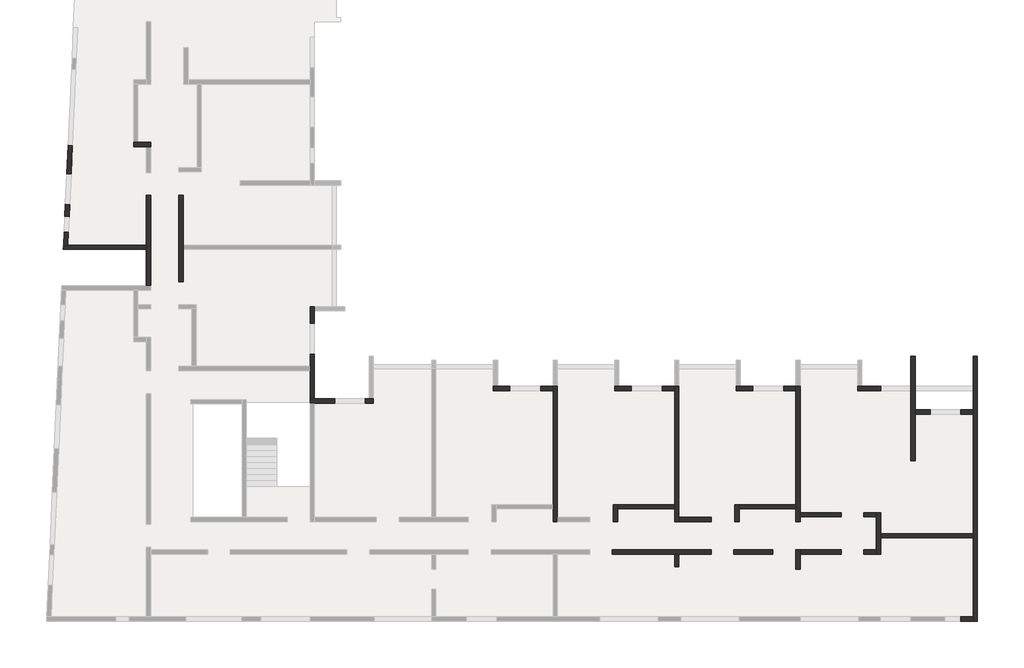
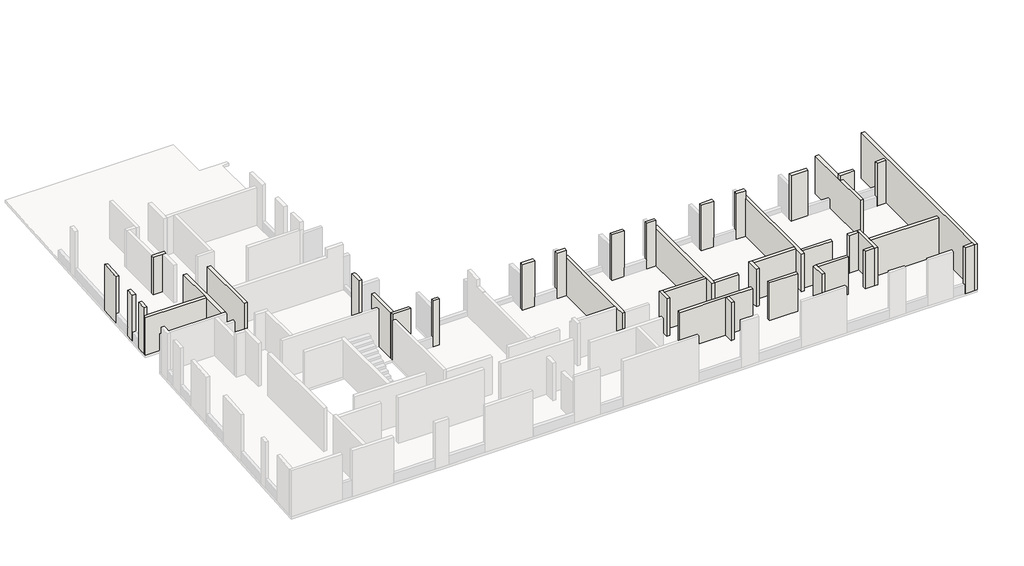
# One storey, part 2 of 4: 41 walls.
"""IFC4 building model written with IfcOpenShell, lengths in millimetres."""

from ifc_helpers import new_model, si_unit, frame, origin, place, context, project, spatial, polyline, outline, extrude, faceted_brep, element, save

model = new_model("IFC4")

# Units and contexts
model_context = context("Model", 3, world=origin())
ifc_project = project(units=[si_unit("LENGTHUNIT", "METRE", prefix="MILLI")], contexts=[model_context])

# Site, building, storey
site = spatial("IfcSite", under=ifc_project)
building = spatial("IfcBuilding", under=site)
storey = spatial("IfcBuildingStorey", under=building, Elevation=19880.0)

# Walls
placement = place(None, origin())
element("IfcWall", 1, ObjectType="MHA20", at=placement, inside=storey, context=model_context, shape_type="Brep", body=[
    faceted_brep([(-2535.6912908, -13279.0672499, 19880.0), (-2535.6912908, -12519.0672499, 19880.0), (-2535.6912908, -12319.0672499, 19880.0), (-2535.6912908, -11329.0672499, 19880.0), (-2535.6912908, -11329.0672499, 22410.0), (-2535.6912908, -12319.0672499, 22410.0), (-2535.6912908, -12519.0672499, 22410.0), (-2535.6912908, -13279.0672499, 22410.0), (-2735.6912908, -13279.0672499, 19880.0), (-2735.6912908, -13279.0672499, 22410.0), (-2735.6912908, -13079.0672499, 22410.0), (-2735.6912908, -11529.0672499, 22410.0), (-2735.6912908, -11329.0672499, 22410.0), (-2735.6912908, -11329.0672499, 19880.0), (-2735.6912908, -11529.0672499, 19880.0), (-2735.6912908, -13079.0672499, 19880.0)], [[[0, 1, 2, 3, 4, 5, 6, 7]], [[8, 9, 10, 11, 12, 13, 14, 15]], [[3, 2, 1, 0, 8, 15, 14, 13]], [[7, 6, 5, 4, 12, 11, 10, 9]], [[4, 3, 13, 12]], [[0, 7, 9, 8]]]),
])
element("IfcWall", 2, ObjectType="MHA20", at=placement, inside=storey, context=model_context, shape_type="SweptSolid", body=[
    extrude(outline(polyline([(1794.3087092, -12519.0672499), (-2535.6912908, -12519.0672499), (-2535.6912908, -12319.0672499), (1794.3087092, -12319.0672499), (1794.3087092, -12519.0672499)])), frame((0.0, 0.0, 19880.0), z_axis=(0.0, 0.0, 1.0), x_axis=(1.0, 0.0, 0.0)), (0.0, 0.0, 1.0), 2530.0),
])
element("IfcWall", 3, ObjectType="MHA20", at=placement, inside=storey, context=model_context, shape_type="Brep", body=[
    faceted_brep([(1994.3087092, -16419.0672499, 19880.0), (1994.3087092, -3999.0672499, 19880.0), (1994.3087092, -3999.0672499, 22960.0), (1994.3087092, -16419.0672499, 22960.0), (1794.3087092, -16419.0672499, 19880.0), (1794.3087092, -16419.0672499, 22960.0), (1794.3087092, -16219.0672499, 22960.0), (1794.3087092, -3999.0672499, 22960.0), (1794.3087092, -3999.0672499, 19880.0), (1794.3087092, -6519.0672499, 19880.0), (1794.3087092, -6719.0672499, 19880.0), (1794.3087092, -12319.0672499, 19880.0), (1794.3087092, -12519.0672499, 19880.0), (1794.3087092, -16219.0672499, 19880.0)], [[[0, 1, 2, 3]], [[4, 5, 6, 7, 8, 9, 10, 11, 12, 13]], [[1, 0, 4, 13, 12, 11, 10, 9, 8]], [[2, 1, 8, 7]], [[3, 2, 7, 6, 5]], [[0, 3, 5, 4]]]),
])
element("IfcWall", 4, ObjectType="MHA20", at=placement, inside=storey, context=model_context, shape_type="SweptSolid", body=[
    extrude(outline(polyline([(-2735.6912908, -11529.0672499), (-3335.6912908, -11529.0672499), (-3335.6912908, -11329.0672499), (-2735.6912908, -11329.0672499), (-2735.6912908, -11529.0672499)])), frame((0.0, 0.0, 19880.0), z_axis=(0.0, 0.0, 1.0), x_axis=(1.0, 0.0, 0.0)), (0.0, 0.0, 1.0), 2530.0),
])
element("IfcWall", 5, ObjectType="MHA20", at=placement, inside=storey, context=model_context, shape_type="SweptSolid", body=[
    extrude(outline(polyline([(-6305.6912908, -11329.0672499), (-4395.6912908, -11329.0672499), (-4395.6912908, -11529.0672499), (-6305.6912908, -11529.0672499), (-6305.6912908, -11329.0672499)])), frame((0.0, 0.0, 19880.0), z_axis=(0.0, 0.0, 1.0), x_axis=(1.0, 0.0, 0.0)), (0.0, 0.0, 1.0), 2530.0),
])
element("IfcWall", 6, ObjectType="MHA20", at=placement, inside=storey, context=model_context, shape_type="SweptSolid", body=[
    extrude(outline(polyline([(-3335.6912908, -13079.0672499), (-2735.6912908, -13079.0672499), (-2735.6912908, -13279.0672499), (-3335.6912908, -13279.0672499), (-3335.6912908, -13079.0672499)])), frame((0.0, 0.0, 19880.0), z_axis=(0.0, 0.0, 1.0), x_axis=(1.0, 0.0, 0.0)), (0.0, 0.0, 1.0), 2530.0),
])
element("IfcWall", 7, ObjectType="MHA20", at=placement, inside=storey, context=model_context, shape_type="Brep", body=[
    faceted_brep([(-6305.6912908, -13989.0672499, 19880.0), (-6305.6912908, -13279.0672499, 19880.0), (-6305.6912908, -13079.0672499, 19880.0), (-6305.6912908, -13079.0672499, 22410.0), (-6305.6912908, -13279.0672499, 22410.0), (-6305.6912908, -13989.0672499, 22410.0), (-6505.6912908, -13989.0672499, 19880.0), (-6505.6912908, -13989.0672499, 22410.0), (-6505.6912908, -13079.0672499, 22410.0), (-6505.6912908, -13079.0672499, 19880.0)], [[[0, 1, 2, 3, 4, 5]], [[6, 7, 8, 9]], [[2, 1, 0, 6, 9]], [[5, 4, 3, 8, 7]], [[0, 5, 7, 6]], [[3, 2, 9, 8]]]),
])
element("IfcWall", 8, ObjectType="MHA20", at=placement, inside=storey, context=model_context, shape_type="Brep", body=[
    faceted_brep([(-6305.6912908, -11759.0672499, 19880.0), (-6305.6912908, -11529.0672499, 19880.0), (-6305.6912908, -11329.0672499, 19880.0), (-6305.6912908, -5419.0672499, 19880.0), (-6305.6912908, -5419.0672499, 22110.0), (-6305.6912908, -5419.0672499, 22410.0), (-6305.6912908, -11329.0672499, 22410.0), (-6305.6912908, -11529.0672499, 22410.0), (-6305.6912908, -11759.0672499, 22410.0), (-6505.6912908, -11759.0672499, 19880.0), (-6505.6912908, -11759.0672499, 22410.0), (-6505.6912908, -11159.0672499, 22410.0), (-6505.6912908, -10959.0672499, 22410.0), (-6505.6912908, -5619.0672499, 22410.0), (-6505.6912908, -5419.0672499, 22410.0), (-6505.6912908, -5419.0672499, 22110.0), (-6505.6912908, -5419.0672499, 19880.0), (-6505.6912908, -5619.0672499, 19880.0), (-6505.6912908, -10959.0672499, 19880.0), (-6505.6912908, -11159.0672499, 19880.0)], [[[0, 1, 2, 3, 4, 5, 6, 7, 8]], [[9, 10, 11, 12, 13, 14, 15, 16, 17, 18, 19]], [[3, 2, 1, 0, 9, 19, 18, 17, 16]], [[8, 7, 6, 5, 14, 13, 12, 11, 10]], [[0, 8, 10, 9]], [[5, 4, 3, 16, 15, 14]]]),
])
element("IfcWall", 9, ObjectType="MHA20", at=placement, inside=storey, context=model_context, shape_type="SweptSolid", body=[
    extrude(outline(polyline([(19880.0, -925.6912908), (19880.0, -225.6912908), (22750.0, -225.6912908), (22750.0, -1125.6912908), (22410.0, -1125.6912908), (22410.0, -925.6912908), (19880.0, -925.6912908)])), frame((0.0, -6719.0672499, 0.0), z_axis=(0.0, 1.0, 0.0), x_axis=(0.0, 0.0, 1.0)), (0.0, 0.0, 1.0), 200.0),
])
element("IfcWall", 10, ObjectType="MHA20", at=placement, inside=storey, context=model_context, shape_type="SweptSolid", body=[
    extrude(outline(polyline([(1794.3087092, -6719.0672499), (1214.3087092, -6719.0672499), (1214.3087092, -6519.0672499), (1794.3087092, -6519.0672499), (1794.3087092, -6719.0672499)])), frame((0.0, 0.0, 19880.0), z_axis=(0.0, 0.0, 1.0), x_axis=(1.0, 0.0, 0.0)), (0.0, 0.0, 1.0), 2870.0),
])
element("IfcWall", 11, ObjectType="MHA20", at=placement, inside=storey, context=model_context, shape_type="Brep", body=[
    faceted_brep([(-1125.6912908, -3999.0672499, 19880.0), (-1125.6912908, -5419.0672499, 19880.0), (-1125.6912908, -5619.0672499, 19880.0), (-1125.6912908, -8899.0672499, 19880.0), (-1125.6912908, -8899.0672499, 22410.0), (-1125.6912908, -3999.0672499, 22410.0), (-925.6912908, -3999.0672499, 19880.0), (-925.6912908, -3999.0672499, 22410.0), (-925.6912908, -6519.0672499, 22410.0), (-925.6912908, -6719.0672499, 22410.0), (-925.6912908, -8899.0672499, 22410.0), (-925.6912908, -8899.0672499, 19880.0), (-925.6912908, -6719.0672499, 19880.0), (-925.6912908, -6519.0672499, 19880.0)], [[[0, 1, 2, 3, 4, 5]], [[6, 7, 8, 9, 10, 11, 12, 13]], [[3, 2, 1, 0, 6, 13, 12, 11]], [[4, 3, 11, 10]], [[5, 4, 10, 9, 8, 7]], [[0, 5, 7, 6]]]),
])
element("IfcWall", 12, ObjectType="MHA20", at=placement, inside=storey, context=model_context, shape_type="Brep", body=[
    faceted_brep([(-3615.6912908, -5619.0672499, 19880.0), (-2545.6912908, -5619.0672499, 19880.0), (-2545.6912908, -5619.0672499, 20480.0), (-2545.6912908, -5619.0672499, 22410.0), (-2545.6912908, -5619.0672499, 22795.0), (-2545.6912908, -5619.0672499, 22945.0), (-3615.6912908, -5619.0672499, 22945.0), (-3615.6912908, -5619.0672499, 22795.0), (-3615.6912908, -5619.0672499, 22410.0), (-3615.6912908, -5419.0672499, 19880.0), (-3615.6912908, -5419.0672499, 22110.0), (-3615.6912908, -5419.0672499, 22410.0), (-3615.6912908, -5419.0672499, 22796.8518519), (-3615.6912908, -5419.0672499, 22945.0), (-2545.6912908, -5419.0672499, 22945.0), (-2545.6912908, -5419.0672499, 22796.8518519), (-2545.6912908, -5419.0672499, 22410.0), (-2545.6912908, -5419.0672499, 20480.0), (-2545.6912908, -5419.0672499, 19880.0), (-3415.6912908, -5419.0672499, 19880.0)], [[[0, 1, 2, 3, 4, 5, 6, 7, 8]], [[9, 10, 11, 12, 13, 14, 15, 16, 17, 18, 19]], [[1, 0, 9, 19, 18]], [[5, 4, 3, 2, 1, 18, 17, 16, 15, 14]], [[6, 5, 14, 13]], [[0, 8, 7, 6, 13, 12, 11, 10, 9]]]),
])
element("IfcWall", 13, ObjectType="MHA20", at=placement, inside=storey, context=model_context, shape_type="SweptSolid", body=[
    extrude(outline(polyline([(-11995.6912908, -13279.0672499), (-11995.6912908, -13879.0672499), (-12195.6912908, -13879.0672499), (-12195.6912908, -13279.0672499), (-11995.6912908, -13279.0672499)])), frame((0.0, 0.0, 19880.0), z_axis=(0.0, 0.0, 1.0), x_axis=(1.0, 0.0, 0.0)), (0.0, 0.0, 1.0), 2530.0),
])
element("IfcWall", 14, ObjectType="MHA20", at=placement, inside=storey, context=model_context, shape_type="Brep", body=[
    faceted_brep([(-11995.6912908, -11759.0672499, 19880.0), (-11995.6912908, -11559.0672499, 19880.0), (-11995.6912908, -5419.0672499, 19880.0), (-11995.6912908, -5419.0672499, 22110.0), (-11995.6912908, -5419.0672499, 22410.0), (-11995.6912908, -11559.0672499, 22410.0), (-11995.6912908, -11759.0672499, 22410.0), (-12195.6912908, -11759.0672499, 19880.0), (-12195.6912908, -11759.0672499, 22410.0), (-12195.6912908, -11159.0672499, 22410.0), (-12195.6912908, -10959.0672499, 22410.0), (-12195.6912908, -5619.0672499, 22410.0), (-12195.6912908, -5419.0672499, 22410.0), (-12195.6912908, -5419.0672499, 22110.0), (-12195.6912908, -5419.0672499, 19880.0), (-12195.6912908, -5619.0672499, 19880.0), (-12195.6912908, -10959.0672499, 19880.0), (-12195.6912908, -11159.0672499, 19880.0)], [[[0, 1, 2, 3, 4, 5, 6]], [[7, 8, 9, 10, 11, 12, 13, 14, 15, 16, 17]], [[2, 1, 0, 7, 17, 16, 15, 14]], [[6, 5, 4, 12, 11, 10, 9, 8]], [[0, 6, 8, 7]], [[4, 3, 2, 14, 13, 12]]]),
])
element("IfcWall", 15, ObjectType="MHA20", at=placement, inside=storey, context=model_context, shape_type="Brep", body=[
    faceted_brep([(-9305.6912908, -5619.0672499, 19880.0), (-8525.6912908, -5619.0672499, 19880.0), (-8525.6912908, -5619.0672499, 20480.0), (-8525.6912908, -5619.0672499, 22410.0), (-8525.6912908, -5619.0672499, 22945.0), (-9305.6912908, -5619.0672499, 22945.0), (-9305.6912908, -5619.0672499, 22410.0), (-9305.6912908, -5419.0672499, 19880.0), (-9305.6912908, -5419.0672499, 22110.0), (-9305.6912908, -5419.0672499, 22410.0), (-9305.6912908, -5419.0672499, 22945.0), (-8525.6912908, -5419.0672499, 22945.0), (-8525.6912908, -5419.0672499, 22410.0), (-8525.6912908, -5419.0672499, 20480.0), (-8525.6912908, -5419.0672499, 19880.0), (-9105.6912908, -5419.0672499, 19880.0)], [[[0, 1, 2, 3, 4, 5, 6]], [[7, 8, 9, 10, 11, 12, 13, 14, 15]], [[1, 0, 7, 15, 14]], [[4, 3, 2, 1, 14, 13, 12, 11]], [[5, 4, 11, 10]], [[0, 6, 5, 10, 9, 8, 7]]]),
])
element("IfcWall", 16, ObjectType="MHA20", at=placement, inside=storey, context=model_context, shape_type="Brep", body=[
    faceted_brep([(-17885.6912908, -5419.0672499, 19880.0), (-17885.6912908, -5619.0672499, 19880.0), (-17885.6912908, -10959.0672499, 19880.0), (-17885.6912908, -11159.0672499, 19880.0), (-17885.6912908, -11759.0672499, 19880.0), (-17885.6912908, -11759.0672499, 22410.0), (-17885.6912908, -11159.0672499, 22410.0), (-17885.6912908, -10959.0672499, 22410.0), (-17885.6912908, -5619.0672499, 22410.0), (-17885.6912908, -5419.0672499, 22410.0), (-17885.6912908, -5419.0672499, 22110.0), (-17685.6912908, -5419.0672499, 19880.0), (-17685.6912908, -5419.0672499, 22110.0), (-17685.6912908, -5419.0672499, 22410.0), (-17685.6912908, -11559.0672499, 22410.0), (-17685.6912908, -11759.0672499, 22410.0), (-17685.6912908, -11759.0672499, 19880.0), (-17685.6912908, -11559.0672499, 19880.0)], [[[0, 1, 2, 3, 4, 5, 6, 7, 8, 9, 10]], [[11, 12, 13, 14, 15, 16, 17]], [[4, 3, 2, 1, 0, 11, 17, 16]], [[9, 8, 7, 6, 5, 15, 14, 13]], [[5, 4, 16, 15]], [[0, 10, 9, 13, 12, 11]]]),
])
element("IfcWall", 17, ObjectType="MHA20", at=placement, inside=storey, context=model_context, shape_type="Brep", body=[
    faceted_brep([(-14995.6912908, -5619.0672499, 19880.0), (-14215.6912908, -5619.0672499, 19880.0), (-14215.6912908, -5619.0672499, 20480.0), (-14215.6912908, -5619.0672499, 22410.0), (-14215.6912908, -5619.0672499, 22795.0), (-14215.6912908, -5619.0672499, 22945.0), (-14995.6912908, -5619.0672499, 22945.0), (-14995.6912908, -5619.0672499, 22795.0), (-14995.6912908, -5619.0672499, 22410.0), (-14995.6912908, -5419.0672499, 19880.0), (-14995.6912908, -5419.0672499, 22110.0), (-14995.6912908, -5419.0672499, 22410.0), (-14995.6912908, -5419.0672499, 22796.8518519), (-14995.6912908, -5419.0672499, 22945.0), (-14215.6912908, -5419.0672499, 22945.0), (-14215.6912908, -5419.0672499, 22796.8518519), (-14215.6912908, -5419.0672499, 22410.0), (-14215.6912908, -5419.0672499, 20480.0), (-14215.6912908, -5419.0672499, 19880.0), (-14795.6912908, -5419.0672499, 19880.0)], [[[0, 1, 2, 3, 4, 5, 6, 7, 8]], [[9, 10, 11, 12, 13, 14, 15, 16, 17, 18, 19]], [[1, 0, 9, 19, 18]], [[5, 4, 3, 2, 1, 18, 17, 16, 15, 14]], [[6, 5, 14, 13]], [[0, 8, 7, 6, 13, 12, 11, 10, 9]]]),
])
element("IfcWall", 18, ObjectType="MHA20", at=placement, inside=storey, context=model_context, shape_type="Brep", body=[
    faceted_brep([(-12775.6912908, -5619.0672499, 19880.0), (-12195.6912908, -5619.0672499, 19880.0), (-12195.6912908, -5619.0672499, 22410.0), (-12195.6912908, -5619.0672499, 22945.0), (-12775.6912908, -5619.0672499, 22945.0), (-12775.6912908, -5619.0672499, 22795.0), (-12775.6912908, -5619.0672499, 22410.0), (-12775.6912908, -5619.0672499, 20480.0), (-12775.6912908, -5419.0672499, 19880.0), (-12775.6912908, -5419.0672499, 20480.0), (-12775.6912908, -5419.0672499, 22410.0), (-12775.6912908, -5419.0672499, 22796.8518519), (-12775.6912908, -5419.0672499, 22945.0), (-12195.6912908, -5419.0672499, 22945.0), (-12195.6912908, -5419.0672499, 22410.0), (-12195.6912908, -5419.0672499, 19880.0)], [[[0, 1, 2, 3, 4, 5, 6, 7]], [[8, 9, 10, 11, 12, 13, 14, 15]], [[1, 0, 8, 15]], [[4, 3, 13, 12]], [[0, 7, 6, 5, 4, 12, 11, 10, 9, 8]], [[3, 2, 1, 15, 14, 13]]]),
])
element("IfcWall", 19, ObjectType="MHA20", at=placement, inside=storey, context=model_context, shape_type="Brep", body=[
    faceted_brep([(-20685.6912908, -5619.0672499, 19880.0), (-19905.6912908, -5619.0672499, 19880.0), (-19905.6912908, -5619.0672499, 20480.0), (-19905.6912908, -5619.0672499, 22260.0), (-19905.6912908, -5619.0672499, 22795.0), (-19905.6912908, -5619.0672499, 22945.0), (-20685.6912908, -5619.0672499, 22945.0), (-20685.6912908, -5619.0672499, 22795.0), (-20685.6912908, -5619.0672499, 22260.0), (-20685.6912908, -5419.0672499, 19880.0), (-20685.6912908, -5419.0672499, 22110.0), (-20685.6912908, -5419.0672499, 22260.0), (-20685.6912908, -5419.0672499, 22796.8518519), (-20685.6912908, -5419.0672499, 22945.0), (-19905.6912908, -5419.0672499, 22945.0), (-19905.6912908, -5419.0672499, 22796.8518519), (-19905.6912908, -5419.0672499, 22260.0), (-19905.6912908, -5419.0672499, 20480.0), (-19905.6912908, -5419.0672499, 19880.0), (-20485.6912908, -5419.0672499, 19880.0)], [[[0, 1, 2, 3, 4, 5, 6, 7, 8]], [[9, 10, 11, 12, 13, 14, 15, 16, 17, 18, 19]], [[1, 0, 9, 19, 18]], [[5, 4, 3, 2, 1, 18, 17, 16, 15, 14]], [[6, 5, 14, 13]], [[0, 8, 7, 6, 13, 12, 11, 10, 9]]]),
])
element("IfcWall", 20, ObjectType="MHA20", at=placement, inside=storey, context=model_context, shape_type="Brep", body=[
    faceted_brep([(-18465.6912908, -5619.0672499, 19880.0), (-17885.6912908, -5619.0672499, 19880.0), (-17885.6912908, -5619.0672499, 22410.0), (-17885.6912908, -5619.0672499, 22795.0), (-17885.6912908, -5619.0672499, 22945.0), (-18465.6912908, -5619.0672499, 22945.0), (-18465.6912908, -5619.0672499, 22795.0), (-18465.6912908, -5619.0672499, 22260.0), (-18465.6912908, -5619.0672499, 20480.0), (-18465.6912908, -5419.0672499, 19880.0), (-18465.6912908, -5419.0672499, 20480.0), (-18465.6912908, -5419.0672499, 22260.0), (-18465.6912908, -5419.0672499, 22796.8518519), (-18465.6912908, -5419.0672499, 22945.0), (-17885.6912908, -5419.0672499, 22945.0), (-17885.6912908, -5419.0672499, 22796.8518519), (-17885.6912908, -5419.0672499, 22410.0), (-17885.6912908, -5419.0672499, 19880.0)], [[[0, 1, 2, 3, 4, 5, 6, 7, 8]], [[9, 10, 11, 12, 13, 14, 15, 16, 17]], [[1, 0, 9, 17]], [[5, 4, 14, 13]], [[0, 8, 7, 6, 5, 13, 12, 11, 10, 9]], [[4, 3, 2, 1, 17, 16, 15, 14]]]),
])
element("IfcWall", 21, ObjectType="MHA20", at=placement, inside=storey, context=model_context, shape_type="SweptSolid", body=[
    extrude(outline(polyline([(-9410.6912908, -13079.0672499), (-7595.6912908, -13079.0672499), (-7595.6912908, -13279.0672499), (-9410.6912908, -13279.0672499), (-9410.6912908, -13079.0672499)])), frame((0.0, 0.0, 19880.0), z_axis=(0.0, 0.0, 1.0), x_axis=(1.0, 0.0, 0.0)), (0.0, 0.0, 1.0), 2530.0),
])
element("IfcWall", 22, ObjectType="MHA20", at=placement, inside=storey, context=model_context, shape_type="SweptSolid", body=[
    extrude(outline(polyline([(-11995.6912908, -11559.0672499), (-10470.6912908, -11559.0672499), (-10470.6912908, -11759.0672499), (-11995.6912908, -11759.0672499), (-11995.6912908, -11559.0672499)])), frame((0.0, 0.0, 19880.0), z_axis=(0.0, 0.0, 1.0), x_axis=(1.0, 0.0, 0.0)), (0.0, 0.0, 1.0), 2530.0),
])
element("IfcWall", 23, ObjectType="MHA20", at=placement, inside=storey, context=model_context, shape_type="Brep", body=[
    faceted_brep([(-9170.6912908, -11759.0672499, 19880.0), (-9170.6912908, -11159.0672499, 19880.0), (-9170.6912908, -10959.0672499, 19880.0), (-9170.6912908, -10959.0672499, 22410.0), (-9170.6912908, -11159.0672499, 22410.0), (-9170.6912908, -11759.0672499, 22410.0), (-9370.6912908, -11759.0672499, 19880.0), (-9370.6912908, -11759.0672499, 22410.0), (-9370.6912908, -10959.0672499, 22410.0), (-9370.6912908, -10959.0672499, 19880.0)], [[[0, 1, 2, 3, 4, 5]], [[6, 7, 8, 9]], [[2, 1, 0, 6, 9]], [[5, 4, 3, 8, 7]], [[0, 5, 7, 6]], [[3, 2, 9, 8]]]),
])
element("IfcWall", 24, ObjectType="MHA20", at=placement, inside=storey, context=model_context, shape_type="SweptSolid", body=[
    extrude(outline(polyline([(-6505.6912908, -11159.0672499), (-9170.6912908, -11159.0672499), (-9170.6912908, -10959.0672499), (-6505.6912908, -10959.0672499), (-6505.6912908, -11159.0672499)])), frame((0.0, 0.0, 19880.0), z_axis=(0.0, 0.0, 1.0), x_axis=(1.0, 0.0, 0.0)), (0.0, 0.0, 1.0), 2530.0),
])
element("IfcWall", 25, ObjectType="MHA20", at=placement, inside=storey, context=model_context, shape_type="Brep", body=[
    faceted_brep([(-14860.6912908, -11759.0672499, 19880.0), (-14860.6912908, -11159.0672499, 19880.0), (-14860.6912908, -10959.0672499, 19880.0), (-14860.6912908, -10959.0672499, 22410.0), (-14860.6912908, -11159.0672499, 22410.0), (-14860.6912908, -11759.0672499, 22410.0), (-15060.6912908, -11759.0672499, 19880.0), (-15060.6912908, -11759.0672499, 22410.0), (-15060.6912908, -10959.0672499, 22410.0), (-15060.6912908, -10959.0672499, 19880.0)], [[[0, 1, 2, 3, 4, 5]], [[6, 7, 8, 9]], [[2, 1, 0, 6, 9]], [[5, 4, 3, 8, 7]], [[0, 5, 7, 6]], [[3, 2, 9, 8]]]),
])
element("IfcWall", 26, ObjectType="MHA20", at=placement, inside=storey, context=model_context, shape_type="SweptSolid", body=[
    extrude(outline(polyline([(-12195.6912908, -11159.0672499), (-14860.6912908, -11159.0672499), (-14860.6912908, -10959.0672499), (-12195.6912908, -10959.0672499), (-12195.6912908, -11159.0672499)])), frame((0.0, 0.0, 19880.0), z_axis=(0.0, 0.0, 1.0), x_axis=(1.0, 0.0, 0.0)), (0.0, 0.0, 1.0), 2530.0),
])
element("IfcWall", 27, ObjectType="MHA20", at=placement, inside=storey, context=model_context, shape_type="Brep", body=[
    faceted_brep([(-26675.6912908, -6204.0672499, 19880.0), (-26295.6912908, -6204.0672499, 19880.0), (-26295.6912908, -6204.0672499, 22260.0), (-26295.6912908, -6204.0672499, 22960.0), (-26675.6912908, -6204.0672499, 22960.0), (-26675.6912908, -6204.0672499, 22260.0), (-26675.6912908, -6204.0672499, 20480.0), (-26675.6912908, -6004.0672499, 19880.0), (-26675.6912908, -6004.0672499, 20480.0), (-26675.6912908, -6004.0672499, 22260.0), (-26675.6912908, -6004.0672499, 22960.0), (-26495.6912908, -6004.0672499, 22960.0), (-26295.6912908, -6004.0672499, 22960.0), (-26295.6912908, -6004.0672499, 22260.0), (-26295.6912908, -6004.0672499, 22110.0), (-26295.6912908, -6004.0672499, 19880.0), (-26495.6912908, -6004.0672499, 19880.0)], [[[0, 1, 2, 3, 4, 5, 6]], [[7, 8, 9, 10, 11, 12, 13, 14, 15, 16]], [[1, 0, 7, 16, 15]], [[3, 2, 1, 15, 14, 13, 12]], [[4, 3, 12, 11, 10]], [[0, 6, 5, 4, 10, 9, 8, 7]]]),
])
element("IfcWall", 28, ObjectType="MHA20", at=placement, inside=storey, context=model_context, shape_type="Brep", body=[
    faceted_brep([(-28115.6912908, -6004.0672499, 19880.0), (-29065.6912908, -6004.0672499, 19880.0), (-29265.6912908, -6004.0672499, 19880.0), (-29265.6912908, -6004.0672499, 22960.0), (-29065.6912908, -6004.0672499, 22960.0), (-28115.6912908, -6004.0672499, 22960.0), (-28115.6912908, -6004.0672499, 22260.0), (-28115.6912908, -6004.0672499, 20480.0), (-28115.6912908, -6204.0672499, 19880.0), (-28115.6912908, -6204.0672499, 20480.0), (-28115.6912908, -6204.0672499, 22260.0), (-28115.6912908, -6204.0672499, 22960.0), (-29265.6912908, -6204.0672499, 22960.0), (-29265.6912908, -6204.0672499, 22565.0925002), (-29265.6912908, -6204.0672499, 19880.0), (-29065.6912908, -6204.0672499, 19880.0)], [[[0, 1, 2, 3, 4, 5, 6, 7]], [[8, 9, 10, 11, 12, 13, 14, 15]], [[2, 1, 0, 8, 15, 14]], [[5, 4, 3, 12, 11]], [[0, 7, 6, 5, 11, 10, 9, 8]], [[2, 14, 13, 12, 3]]]),
])
element("IfcWall", 29, ObjectType="MHA20", at=placement, inside=storey, context=model_context, shape_type="Brep", body=[
    faceted_brep([(-35205.6912908, -509.0672499, 19880.0), (-35205.6912908, 1000.9327501, 19880.0), (-35205.6912908, 1200.9327501, 19880.0), (-35205.6912908, 3530.9327501, 19880.0), (-35205.6912908, 3530.9327501, 22410.0), (-35205.6912908, 1200.9327501, 22410.0), (-35205.6912908, 1000.9327501, 22410.0), (-35205.6912908, -509.0672499, 22410.0), (-35405.6912908, -509.0672499, 19880.0), (-35405.6912908, -509.0672499, 22410.0), (-35405.6912908, 3530.9327501, 22410.0), (-35405.6912908, 3530.9327501, 19880.0)], [[[0, 1, 2, 3, 4, 5, 6, 7]], [[8, 9, 10, 11]], [[3, 2, 1, 0, 8, 11]], [[4, 3, 11, 10]], [[7, 6, 5, 4, 10, 9]], [[0, 7, 9, 8]]]),
])
element("IfcWall", 30, ObjectType="MHA20", at=placement, inside=storey, context=model_context, shape_type="Brep", body=[
    faceted_brep([(-40818.7913521, 1000.9327501, 19880.0), (-36935.6912908, 1000.9327501, 19880.0), (-36935.6912908, 1000.9327501, 22410.0), (-40618.5856603, 1000.9327501, 22410.0), (-40818.7913521, 1000.9327501, 22410.0), (-40809.7183696, 1200.9327501, 19880.0), (-40809.7183696, 1200.9327501, 22410.0), (-40609.5126779, 1200.9327501, 22410.0), (-36935.6912908, 1200.9327501, 22410.0), (-36935.6912908, 1200.9327501, 19880.0), (-40609.5126779, 1200.9327501, 19880.0)], [[[0, 1, 2, 3, 4]], [[5, 6, 7, 8, 9, 10]], [[1, 0, 5, 10, 9]], [[4, 3, 2, 8, 7, 6]], [[2, 1, 9, 8]], [[0, 4, 6, 5]]]),
])
element("IfcWall", 31, ObjectType="MHA20", at=placement, inside=storey, context=model_context, shape_type="Brep", body=[
    faceted_brep([(-29065.6912908, -2469.0672499, 19880.0), (-29065.6912908, -1889.5482142, 19880.0), (-29065.6912908, -1689.5482142, 19880.0), (-29065.6912908, -1689.5482142, 22110.0), (-29065.6912908, -1689.5482142, 22260.0), (-29065.6912908, -1689.5482142, 22410.0), (-29065.6912908, -1689.5482142, 22945.0), (-29065.6912908, -1689.5482142, 22960.0), (-29065.6912908, -1889.5482142, 22960.0), (-29065.6912908, -2469.0672499, 22960.0), (-29065.6912908, -2469.0672499, 22410.0), (-29065.6912908, -2469.0672499, 20480.0), (-29265.6912908, -2469.0672499, 19880.0), (-29265.6912908, -2469.0672499, 20480.0), (-29265.6912908, -2469.0672499, 22410.0), (-29265.6912908, -2469.0672499, 22960.0), (-29265.6912908, -1689.5482142, 22960.0), (-29265.6912908, -1689.5482142, 22945.0), (-29265.6912908, -1689.5482142, 22410.0), (-29265.6912908, -1689.5482142, 19880.0)], [[[0, 1, 2, 3, 4, 5, 6, 7, 8, 9, 10, 11]], [[12, 13, 14, 15, 16, 17, 18, 19]], [[2, 1, 0, 12, 19]], [[7, 6, 5, 4, 3, 2, 19, 18, 17, 16]], [[9, 8, 7, 16, 15]], [[0, 11, 10, 9, 15, 14, 13, 12]]]),
])
element("IfcWall", 32, ObjectType="MHA20", at=placement, inside=storey, context=model_context, shape_type="Brep", body=[
    faceted_brep([(-36735.6912908, -714.0672499, 19880.0), (-36735.6912908, 3530.9327501, 19880.0), (-36735.6912908, 3530.9327501, 22410.0), (-36735.6912908, -714.0672499, 22410.0), (-36935.6912908, -714.0672499, 19880.0), (-36935.6912908, -714.0672499, 22410.0), (-36935.6912908, 1000.9327501, 22410.0), (-36935.6912908, 1200.9327501, 22410.0), (-36935.6912908, 3530.9327501, 22410.0), (-36935.6912908, 3530.9327501, 19880.0), (-36935.6912908, 1200.9327501, 19880.0), (-36935.6912908, 1000.9327501, 19880.0)], [[[0, 1, 2, 3]], [[4, 5, 6, 7, 8, 9, 10, 11]], [[1, 0, 4, 11, 10, 9]], [[2, 1, 9, 8]], [[3, 2, 8, 7, 6, 5]], [[0, 3, 5, 4]]]),
])
element("IfcWall", 33, ObjectType="MHA20", at=placement, inside=storey, context=model_context, shape_type="Brep", body=[
    faceted_brep([(-37535.6912908, 5810.9327501, 19880.0), (-36935.6912908, 5810.9327501, 19880.0), (-36735.6912908, 5810.9327501, 19880.0), (-36735.6912908, 5810.9327501, 22410.0), (-36935.6912908, 5810.9327501, 22410.0), (-37535.6912908, 5810.9327501, 22410.0), (-37535.6912908, 6010.9327501, 19880.0), (-37535.6912908, 6010.9327501, 22410.0), (-37335.6912908, 6010.9327501, 22410.0), (-36735.6912908, 6010.9327501, 22410.0), (-36735.6912908, 6010.9327501, 19880.0), (-37335.6912908, 6010.9327501, 19880.0)], [[[0, 1, 2, 3, 4, 5]], [[6, 7, 8, 9, 10, 11]], [[2, 1, 0, 6, 11, 10]], [[5, 4, 3, 9, 8, 7]], [[0, 5, 7, 6]], [[3, 2, 10, 9]]]),
])
element("IfcWall", 34, ObjectType="MHA20", at=placement, inside=storey, context=model_context, shape_type="Brep", body=[
    faceted_brep([(-7085.6912908, -5619.0672499, 19880.0), (-6505.6912908, -5619.0672499, 19880.0), (-6505.6912908, -5619.0672499, 22410.0), (-6505.6912908, -5619.0672499, 22795.0), (-6505.6912908, -5619.0672499, 22945.0), (-7085.6912908, -5619.0672499, 22945.0), (-7085.6912908, -5619.0672499, 22410.0), (-7085.6912908, -5619.0672499, 20480.0), (-7085.6912908, -5419.0672499, 19880.0), (-7085.6912908, -5419.0672499, 20480.0), (-7085.6912908, -5419.0672499, 22410.0), (-7085.6912908, -5419.0672499, 22945.0), (-6505.6912908, -5419.0672499, 22945.0), (-6505.6912908, -5419.0672499, 22796.8518519), (-6505.6912908, -5419.0672499, 22410.0), (-6505.6912908, -5419.0672499, 19880.0)], [[[0, 1, 2, 3, 4, 5, 6, 7]], [[8, 9, 10, 11, 12, 13, 14, 15]], [[1, 0, 8, 15]], [[5, 4, 12, 11]], [[0, 7, 6, 5, 11, 10, 9, 8]], [[4, 3, 2, 1, 15, 14, 13, 12]]]),
])
element("IfcWall", 35, ObjectType="MHA20", at=placement, inside=storey, context=model_context, shape_type="SweptSolid", body=[
    extrude(outline(polyline([(1794.3087092, -16419.0672499), (1204.3087092, -16419.0672499), (1204.3087092, -16219.0672499), (1794.3087092, -16219.0672499), (1794.3087092, -16419.0672499)])), frame((0.0, 0.0, 19880.0), z_axis=(0.0, 0.0, 1.0), x_axis=(1.0, 0.0, 0.0)), (0.0, 0.0, 1.0), 3080.0),
])
element("IfcWall", 36, ObjectType="MHA20", at=placement, inside=storey, context=model_context, shape_type="Brep", body=[
    faceted_brep([(-40598.016899, 5867.5673776, 19880.0), (-40658.0636522, 4543.9286854, 19880.0), (-40658.0636522, 4543.9286854, 20480.0), (-40658.0636522, 4543.9286854, 22410.0), (-40658.0636522, 4543.9286854, 22960.0), (-40598.016899, 5867.5673776, 22960.0), (-40598.016899, 5867.5673776, 22410.0), (-40598.016899, 5867.5673776, 20480.0), (-40398.2223794, 5858.5037168, 19880.0), (-40398.2223794, 5858.5037168, 20480.0), (-40398.2223794, 5858.5037168, 22410.0), (-40398.2223794, 5858.5037168, 22960.0), (-40458.2691326, 4534.8650246, 22960.0), (-40458.2691326, 4534.8650246, 22410.0), (-40458.2691326, 4534.8650246, 20480.0), (-40458.2691326, 4534.8650246, 19880.0)], [[[0, 1, 2, 3, 4, 5, 6, 7]], [[8, 9, 10, 11, 12, 13, 14, 15]], [[1, 0, 8, 15]], [[4, 3, 2, 1, 15, 14, 13, 12]], [[5, 4, 12, 11]], [[0, 7, 6, 5, 11, 10, 9, 8]]]),
])
element("IfcWall", 37, ObjectType="MHA20", at=placement, inside=storey, context=model_context, shape_type="Brep", body=[
    faceted_brep([(-40609.5126779, 1200.9327501, 19880.0), (-40582.6678779, 1792.6852434, 19880.0), (-40582.6678779, 1792.6852434, 20480.0), (-40582.6678779, 1792.6852434, 22410.0), (-40582.6678779, 1792.6852434, 22960.0), (-40609.5126779, 1200.9327501, 22960.0), (-40609.5126779, 1200.9327501, 22410.0), (-40809.7183696, 1200.9327501, 19880.0), (-40809.7183696, 1200.9327501, 22410.0), (-40809.7183696, 1200.9327501, 22960.0), (-40782.4623975, 1801.7489043, 22960.0), (-40782.4623975, 1801.7489043, 22410.0), (-40782.4623975, 1801.7489043, 20480.0), (-40782.4623975, 1801.7489043, 19880.0)], [[[0, 1, 2, 3, 4, 5, 6]], [[7, 8, 9, 10, 11, 12, 13]], [[1, 0, 7, 13]], [[4, 3, 2, 1, 13, 12, 11, 10]], [[5, 4, 10, 9]], [[0, 6, 5, 9, 8, 7]]]),
])
element("IfcWall", 38, ObjectType="MHA20", at=placement, inside=storey, context=model_context, shape_type="Brep", body=[
    faceted_brep([(-40723.3220104, 3105.4081445, 19880.0), (-40748.9268523, 2540.9886267, 19880.0), (-40748.9268523, 2540.9886267, 20480.0), (-40748.9268523, 2540.9886267, 22410.0), (-40748.9268523, 2540.9886267, 22960.0), (-40723.3220104, 3105.4081445, 22960.0), (-40723.3220104, 3105.4081445, 22410.0), (-40723.3220104, 3105.4081445, 20480.0), (-40523.5274908, 3096.3444836, 19880.0), (-40523.5274908, 3096.3444836, 20480.0), (-40523.5274908, 3096.3444836, 22410.0), (-40523.5274908, 3096.3444836, 22960.0), (-40549.1323327, 2531.9249658, 22960.0), (-40549.1323327, 2531.9249658, 22410.0), (-40549.1323327, 2531.9249658, 20480.0), (-40549.1323327, 2531.9249658, 19880.0)], [[[0, 1, 2, 3, 4, 5, 6, 7]], [[8, 9, 10, 11, 12, 13, 14, 15]], [[1, 0, 8, 15]], [[4, 3, 2, 1, 15, 14, 13, 12]], [[5, 4, 12, 11]], [[0, 7, 6, 5, 11, 10, 9, 8]]]),
])
element("IfcWall", 39, ObjectType="MHA20", at=placement, inside=storey, context=model_context, shape_type="Brep", body=[
    faceted_brep([(-29065.6912908, -6004.0672499, 22960.0), (-29065.6912908, -6004.0672499, 19880.0), (-29065.6912908, -3909.0672499, 19880.0), (-29065.6912908, -3909.0672499, 20480.0), (-29065.6912908, -3909.0672499, 22410.0), (-29065.6912908, -3909.0672499, 22960.0), (-29265.6912908, -6004.0672499, 19880.0), (-29265.6912908, -6004.0672499, 22960.0), (-29265.6912908, -3909.0672499, 22960.0), (-29265.6912908, -3909.0672499, 22410.0), (-29265.6912908, -3909.0672499, 20480.0), (-29265.6912908, -3909.0672499, 19880.0), (-29265.6912908, -4489.0672499, 19880.0), (-29265.6912908, -4689.0672499, 19880.0)], [[[0, 1, 2, 3, 4, 5]], [[6, 7, 8, 9, 10, 11, 12, 13]], [[2, 1, 6, 13, 12, 11]], [[5, 4, 3, 2, 11, 10, 9, 8]], [[0, 5, 8, 7]], [[0, 7, 6, 1]]]),
])
element("IfcWall", 40, ObjectType="MHA20", at=placement, inside=storey, context=model_context, shape_type="SweptSolid", body=[
    extrude(outline(polyline([(-6305.6912908, -13079.0672499), (-4395.6912908, -13079.0672499), (-4395.6912908, -13279.0672499), (-6305.6912908, -13279.0672499), (-6305.6912908, -13079.0672499)])), frame((0.0, 0.0, 19880.0), z_axis=(0.0, 0.0, 1.0), x_axis=(1.0, 0.0, 0.0)), (0.0, 0.0, 1.0), 2530.0),
])
element("IfcWall", 41, ObjectType="MHA20", at=placement, inside=storey, context=model_context, shape_type="Brep", body=[
    faceted_brep([(-10470.6912908, -13079.0672499, 22410.0), (-10470.6912908, -13079.0672499, 19880.0), (-15100.6912908, -13079.0672499, 19880.0), (-15100.6912908, -13079.0672499, 22410.0), (-10470.6912908, -13279.0672499, 22410.0), (-11995.6912908, -13279.0672499, 22410.0), (-12195.6912908, -13279.0672499, 22410.0), (-15100.6912908, -13279.0672499, 22410.0), (-15100.6912908, -13279.0672499, 19880.0), (-12195.6912908, -13279.0672499, 19880.0), (-11995.6912908, -13279.0672499, 19880.0), (-10470.6912908, -13279.0672499, 19880.0)], [[[0, 1, 2, 3]], [[4, 5, 6, 7, 8, 9, 10, 11]], [[3, 2, 8, 7]], [[2, 1, 11, 10, 9, 8]], [[1, 0, 4, 11]], [[0, 3, 7, 6, 5, 4]]]),
])

save(model, "model.ifc")
